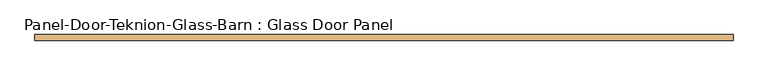
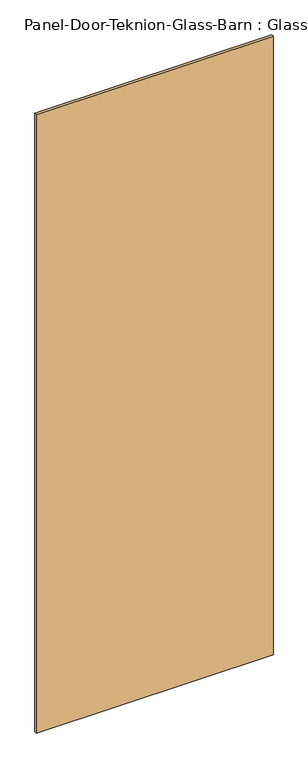
"""IFC4 building model written with IfcOpenShell, lengths in millimetres: door geometry, Panel-Door-Teknion-Glass-Barn : Glass Door Panel."""

import ifcopenshell
import ifcopenshell.guid

model = None  # the IFC model being written
_history = None  # IfcOwnerHistory: only IFC2X3 demands one
_inside = {}  # id of a spatial element -> (the spatial element, [elements in it])
_under = {}  # id of a project, library or spatial element -> (it, [spatial elements below it])
_declared = {}  # id of a project -> (the project, [libraries it declares])
_typed = {}  # id of a type object -> (the type object, [elements of that type])
_made_of = {}  # id of a material, layer set ... -> (it, [elements and type objects made of it])


def new_model(schema):
    """Start an empty IFC model of exactly this schema.

    Asked for "IFC4X3", IfcOpenShell would pick the latest addendum, in which some entities
    have other attributes; the version numbers below select the first issue.
    IFC2X3 requires an IfcOwnerHistory on every rooted entity: one is made here for all.
    """
    global model, _history
    if schema == "IFC4X3":
        model = ifcopenshell.file(schema_version=(4, 3, 0, 0))
    else:
        model = ifcopenshell.file(schema=schema)
    _inside.clear()
    _under.clear()
    _declared.clear()
    _typed.clear()
    _made_of.clear()
    _history = None
    if model.schema == "IFC2X3":
        org = make("IfcOrganization", Name="unknown")
        user = make(
            "IfcPersonAndOrganization",
            ThePerson=make("IfcPerson", FamilyName="unknown"),
            TheOrganization=org,
        )
        app = make(
            "IfcApplication",
            ApplicationDeveloper=org,
            Version="unknown",
            ApplicationFullName="unknown",
            ApplicationIdentifier="unknown",
        )
        _history = make(
            "IfcOwnerHistory",
            OwningUser=user,
            OwningApplication=app,
            ChangeAction="ADDED",
            CreationDate=0,
        )
    return model


def make(cls, **values):
    """One entity of the class cls with the attributes given. An attribute that is None is left unset."""
    return model.create_entity(
        cls, **{name: value for name, value in values.items() if value is not None}
    )


def rooted(cls, **values):
    """An entity with a GlobalId (a new one), such as an element, a storey or a relation."""
    return make(cls, GlobalId=ifcopenshell.guid.new(), OwnerHistory=_history, **values)


def si_unit(unit_type, name, prefix=None):
    """IfcSIUnit, for example si_unit("LENGTHUNIT", "METRE", prefix="MILLI")."""
    return make("IfcSIUnit", UnitType=unit_type, Prefix=prefix, Name=name)


def assignment(units):
    """IfcUnitAssignment: the units of a project."""
    return None if units is None else make("IfcUnitAssignment", Units=units)


def point(xyz):
    """IfcCartesianPoint."""
    return None if xyz is None else make("IfcCartesianPoint", Coordinates=xyz)


def direction(xyz):
    """IfcDirection."""
    return None if xyz is None else make("IfcDirection", DirectionRatios=xyz)


def frame(location, z_axis=None, x_axis=None):
    """IfcAxis2Placement3D, a coordinate frame: its origin and axes. An axis left out is left unset."""
    return make(
        "IfcAxis2Placement3D",
        Location=point(location),
        Axis=direction(z_axis),
        RefDirection=direction(x_axis),
    )


def origin():
    """The frame at (0, 0, 0) with its axes left unset."""
    return frame((0.0, 0.0, 0.0))


def place(relative_to, where):
    """IfcLocalPlacement: puts the frame where relative to a parent placement (None: the world)."""
    return make(
        "IfcLocalPlacement", PlacementRelTo=relative_to, RelativePlacement=where
    )


def context(
    kind, dimensions, precision=None, world=None, true_north=None, identifier=None
):
    """IfcGeometricRepresentationContext, for example the 3D "Model" context."""
    return make(
        "IfcGeometricRepresentationContext",
        ContextIdentifier=identifier,
        ContextType=kind,
        CoordinateSpaceDimension=dimensions,
        Precision=precision,
        WorldCoordinateSystem=world,
        TrueNorth=true_north,
    )


def project(units=None, contexts=None):
    """IfcProject with its units and contexts."""
    return rooted(
        "IfcProject",
        Name="project",
        RepresentationContexts=contexts,
        UnitsInContext=assignment(units),
    )


def spatial(cls, under=None, at=None, **own):
    """A site, building, storey or space (cls), placed at a placement, below another one or the project."""
    s = rooted(cls, ObjectPlacement=at, **own)
    if under is not None:
        _under.setdefault(under.id(), (under, []))[1].append(s)
    return s


def polyline(points):
    """IfcPolyline through the points."""
    return make("IfcPolyline", Points=[point(p) for p in points])


def outline(outer, holes=None, kind="AREA"):
    """IfcArbitraryClosedProfileDef: a profile drawn as a closed curve; with holes, ...WithVoids."""
    if holes is None:
        return make("IfcArbitraryClosedProfileDef", ProfileType=kind, OuterCurve=outer)
    return make(
        "IfcArbitraryProfileDefWithVoids",
        ProfileType=kind,
        OuterCurve=outer,
        InnerCurves=holes,
    )


def extrude(swept, where, along, depth):
    """IfcExtrudedAreaSolid: the profile swept, set in the frame where, extruded along a direction by depth."""
    return make(
        "IfcExtrudedAreaSolid",
        SweptArea=swept,
        Position=where,
        ExtrudedDirection=direction(along),
        Depth=depth,
    )


def shape(context_of_items, identifier, shape_type, items):
    """IfcShapeRepresentation: the items that make up one representation, for example the "Body"."""
    return make(
        "IfcShapeRepresentation",
        ContextOfItems=context_of_items,
        RepresentationIdentifier=identifier,
        RepresentationType=shape_type,
        Items=items,
    )


def source(mapping_origin, context_of_items, identifier, shape_type, items):
    """IfcRepresentationMap: a shape defined once, which mapped items show again and again."""
    return make(
        "IfcRepresentationMap",
        MappingOrigin=mapping_origin,
        MappedRepresentation=shape(context_of_items, identifier, shape_type, items),
    )


def transform(
    local_origin,
    x_axis=None,
    y_axis=None,
    z_axis=None,
    scale=None,
    scale2=None,
    scale3=None,
    uniform=True,
):
    """IfcCartesianTransformationOperator3D, or its non-uniform kind. x_axis, y_axis, z_axis: its Axis1, 2, 3."""
    if uniform:
        return make(
            "IfcCartesianTransformationOperator3D",
            Axis1=direction(x_axis),
            Axis2=direction(y_axis),
            LocalOrigin=point(local_origin),
            Scale=scale,
            Axis3=direction(z_axis),
        )
    return make(
        "IfcCartesianTransformationOperator3DnonUniform",
        Axis1=direction(x_axis),
        Axis2=direction(y_axis),
        LocalOrigin=point(local_origin),
        Scale=scale,
        Axis3=direction(z_axis),
        Scale2=scale2,
        Scale3=scale3,
    )


def mapped(mapping_source, mapping_target):
    """IfcMappedItem: shows the shape of a source again, moved by a transform."""
    return make(
        "IfcMappedItem", MappingSource=mapping_source, MappingTarget=mapping_target
    )


def made_of(thing, what):
    """Note that an element or type object is made of a material, layer set ...; save() writes the relation."""
    if what is not None:
        _made_of.setdefault(what.id(), (what, []))[1].append(thing)
    return thing


def element(
    cls,
    number,
    at=None,
    inside=None,
    cuts=None,
    type_object=None,
    material=None,
    context=None,
    identifier="Body",
    shape_type=None,
    held_by="IfcProductDefinitionShape",
    body=None,
    shapes=None,
    **own,
):
    """One element of the class cls, such as IfcWall. Its Tag is "e" and its number.

    at: its placement. inside: the storey or other place that contains it. cuts: it is an
    opening in that element (IfcRelVoidsElement). A single representation is given by context,
    identifier, shape_type and body (its items); several are given by shapes. held_by: the class
    of the entity that holds the representations. save() writes the other relations.
    """
    e = rooted(cls, Tag="e%d" % number, ObjectPlacement=at, **own)
    if body is not None:
        shapes = [shape(context, identifier, shape_type, body)]
    if shapes is not None:
        e.Representation = make(held_by, Representations=shapes)
    if inside is not None:
        _inside.setdefault(inside.id(), (inside, []))[1].append(e)
    if cuts is not None:
        rooted(
            "IfcRelVoidsElement", RelatingBuildingElement=cuts, RelatedOpeningElement=e
        )
    if type_object is not None:
        _typed.setdefault(type_object.id(), (type_object, []))[1].append(e)
    return made_of(e, material)


def aggregate(whole, parts):
    """IfcRelAggregates: a whole, such as a stair, and the parts it consists of."""
    return rooted("IfcRelAggregates", RelatingObject=whole, RelatedObjects=parts)


def save(model, path):
    """Write the relations noted so far, then the file.

    IfcRelAggregates (storeys below a building ...), IfcRelContainedInSpatialStructure (elements
    in a storey), IfcRelDefinesByType, IfcRelAssociatesMaterial and IfcRelDeclares: one each for
    every whole, place, type object, material and project.
    """
    for whole, parts in _under.values():
        aggregate(whole, parts)
    for where, things in _inside.values():
        rooted(
            "IfcRelContainedInSpatialStructure",
            RelatedElements=things,
            RelatingStructure=where,
        )
    for kind, things in _typed.values():
        rooted("IfcRelDefinesByType", RelatedObjects=things, RelatingType=kind)
    for what, things in _made_of.values():
        rooted("IfcRelAssociatesMaterial", RelatedObjects=things, RelatingMaterial=what)
    for by, libraries in _declared.values():
        rooted("IfcRelDeclares", RelatingContext=by, RelatedDefinitions=libraries)
    model.write(path)


def panel_door_teknion_glass_barn_glass_door_panel_14467133(model_context):
    return source(origin(), model_context, "Body", "SweptSolid", [
        extrude(outline(polyline([(518.9099993, -4.5085), (-518.9099993, -4.5085), (-518.9099993, 4.5085), (518.9099993, 4.5085), (518.9099993, -4.5085)])), frame((0.0, 0.0, 60.9092), z_axis=(0.0, 0.0, 1.0), x_axis=(1.0, 0.0, 0.0)), (0.0, 0.0, 1.0), 2864.71106),
    ])


if __name__ == "__main__":
    model = new_model("IFC4")
    model_context = context("Model", 3, world=origin())
    ifc_project = project(units=[si_unit("LENGTHUNIT", "METRE", prefix="MILLI")], contexts=[model_context])
    site = spatial("IfcSite", under=ifc_project)
    building = spatial("IfcBuilding", under=site)
    placement = place(None, origin())
    panel_door_teknion_glass_barn_glass_door_panel_shape = panel_door_teknion_glass_barn_glass_door_panel_14467133(model_context)
    element("IfcDoor", 1, ObjectType="Panel-Door-Teknion-Glass-Barn : Glass Door Panel", at=placement, inside=building, context=model_context, shape_type="MappedRepresentation", body=[
        mapped(panel_door_teknion_glass_barn_glass_door_panel_shape, transform((0.0, 0.0, 0.0), x_axis=(1.0, 0.0, 0.0), y_axis=(0.0, 1.0, 0.0), z_axis=(0.0, 0.0, 1.0))),
    ])
    save(model, "model.ifc")
